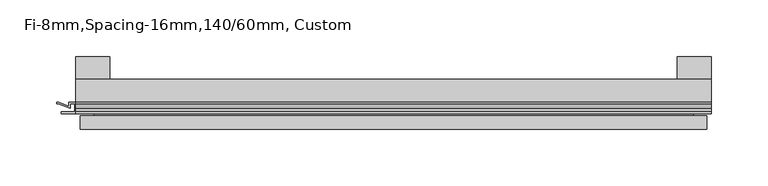
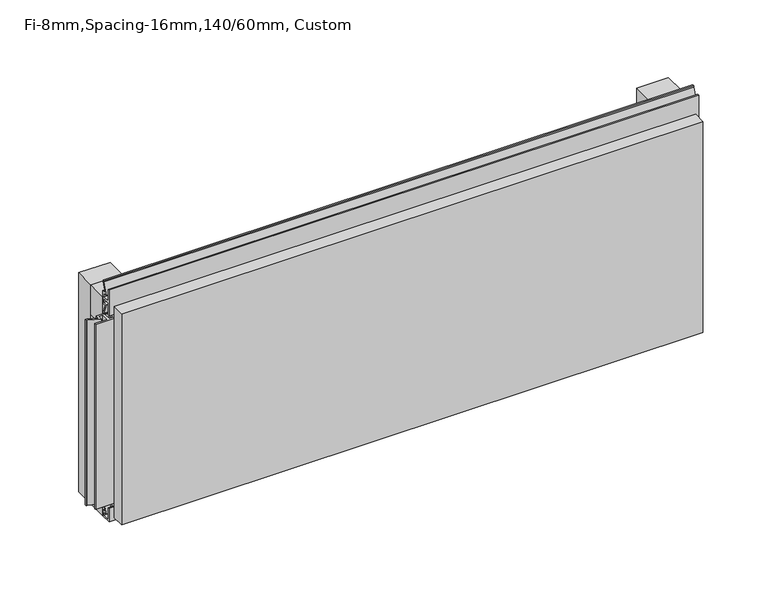
"""IFC4 building model written with IfcOpenShell, lengths in millimetres: plate geometry, Fi-8mm,Spacing-16mm,140/60mm, Custom."""

import ifcopenshell
import ifcopenshell.guid

model = None  # the IFC model being written
_history = None  # IfcOwnerHistory: only IFC2X3 demands one
_inside = {}  # id of a spatial element -> (the spatial element, [elements in it])
_under = {}  # id of a project, library or spatial element -> (it, [spatial elements below it])
_declared = {}  # id of a project -> (the project, [libraries it declares])
_typed = {}  # id of a type object -> (the type object, [elements of that type])
_made_of = {}  # id of a material, layer set ... -> (it, [elements and type objects made of it])


def new_model(schema):
    """Start an empty IFC model of exactly this schema.

    Asked for "IFC4X3", IfcOpenShell would pick the latest addendum, in which some entities
    have other attributes; the version numbers below select the first issue.
    IFC2X3 requires an IfcOwnerHistory on every rooted entity: one is made here for all.
    """
    global model, _history
    if schema == "IFC4X3":
        model = ifcopenshell.file(schema_version=(4, 3, 0, 0))
    else:
        model = ifcopenshell.file(schema=schema)
    _inside.clear()
    _under.clear()
    _declared.clear()
    _typed.clear()
    _made_of.clear()
    _history = None
    if model.schema == "IFC2X3":
        org = make("IfcOrganization", Name="unknown")
        user = make(
            "IfcPersonAndOrganization",
            ThePerson=make("IfcPerson", FamilyName="unknown"),
            TheOrganization=org,
        )
        app = make(
            "IfcApplication",
            ApplicationDeveloper=org,
            Version="unknown",
            ApplicationFullName="unknown",
            ApplicationIdentifier="unknown",
        )
        _history = make(
            "IfcOwnerHistory",
            OwningUser=user,
            OwningApplication=app,
            ChangeAction="ADDED",
            CreationDate=0,
        )
    return model


def make(cls, **values):
    """One entity of the class cls with the attributes given. An attribute that is None is left unset."""
    return model.create_entity(
        cls, **{name: value for name, value in values.items() if value is not None}
    )


def rooted(cls, **values):
    """An entity with a GlobalId (a new one), such as an element, a storey or a relation."""
    return make(cls, GlobalId=ifcopenshell.guid.new(), OwnerHistory=_history, **values)


def si_unit(unit_type, name, prefix=None):
    """IfcSIUnit, for example si_unit("LENGTHUNIT", "METRE", prefix="MILLI")."""
    return make("IfcSIUnit", UnitType=unit_type, Prefix=prefix, Name=name)


def assignment(units):
    """IfcUnitAssignment: the units of a project."""
    return None if units is None else make("IfcUnitAssignment", Units=units)


def point(xyz):
    """IfcCartesianPoint."""
    return None if xyz is None else make("IfcCartesianPoint", Coordinates=xyz)


def direction(xyz):
    """IfcDirection."""
    return None if xyz is None else make("IfcDirection", DirectionRatios=xyz)


def frame(location, z_axis=None, x_axis=None):
    """IfcAxis2Placement3D, a coordinate frame: its origin and axes. An axis left out is left unset."""
    return make(
        "IfcAxis2Placement3D",
        Location=point(location),
        Axis=direction(z_axis),
        RefDirection=direction(x_axis),
    )


def origin():
    """The frame at (0, 0, 0) with its axes left unset."""
    return frame((0.0, 0.0, 0.0))


def origin_with_axes():
    """The frame at (0, 0, 0) with the z axis (0, 0, 1) and the x axis (1, 0, 0) written out."""
    return frame((0.0, 0.0, 0.0), z_axis=(0.0, 0.0, 1.0), x_axis=(1.0, 0.0, 0.0))


def place(relative_to, where):
    """IfcLocalPlacement: puts the frame where relative to a parent placement (None: the world)."""
    return make(
        "IfcLocalPlacement", PlacementRelTo=relative_to, RelativePlacement=where
    )


def context(
    kind, dimensions, precision=None, world=None, true_north=None, identifier=None
):
    """IfcGeometricRepresentationContext, for example the 3D "Model" context."""
    return make(
        "IfcGeometricRepresentationContext",
        ContextIdentifier=identifier,
        ContextType=kind,
        CoordinateSpaceDimension=dimensions,
        Precision=precision,
        WorldCoordinateSystem=world,
        TrueNorth=true_north,
    )


def project(units=None, contexts=None):
    """IfcProject with its units and contexts."""
    return rooted(
        "IfcProject",
        Name="project",
        RepresentationContexts=contexts,
        UnitsInContext=assignment(units),
    )


def spatial(cls, under=None, at=None, **own):
    """A site, building, storey or space (cls), placed at a placement, below another one or the project."""
    s = rooted(cls, ObjectPlacement=at, **own)
    if under is not None:
        _under.setdefault(under.id(), (under, []))[1].append(s)
    return s


def polyline(points):
    """IfcPolyline through the points."""
    return make("IfcPolyline", Points=[point(p) for p in points])


def outline(outer, holes=None, kind="AREA"):
    """IfcArbitraryClosedProfileDef: a profile drawn as a closed curve; with holes, ...WithVoids."""
    if holes is None:
        return make("IfcArbitraryClosedProfileDef", ProfileType=kind, OuterCurve=outer)
    return make(
        "IfcArbitraryProfileDefWithVoids",
        ProfileType=kind,
        OuterCurve=outer,
        InnerCurves=holes,
    )


def extrude(swept, where, along, depth):
    """IfcExtrudedAreaSolid: the profile swept, set in the frame where, extruded along a direction by depth."""
    return make(
        "IfcExtrudedAreaSolid",
        SweptArea=swept,
        Position=where,
        ExtrudedDirection=direction(along),
        Depth=depth,
    )


def faces_of(points, faces, orient=None, outer=None):
    """IfcFace entities. A face is a list of loops; a loop is a list of indices into points, from 0.

    orient and outer hold one flag for each loop. By default every Orientation is true, the
    first loop of a face is its IfcFaceOuterBound and the others are IfcFaceBound.
    """
    made = []
    for i, loops in enumerate(faces):
        bounds = []
        for j, loop in enumerate(loops):
            is_outer = j == 0 if outer is None else outer[i][j]
            bounds.append(
                make(
                    "IfcFaceOuterBound" if is_outer else "IfcFaceBound",
                    Bound=make("IfcPolyLoop", Polygon=[points[k] for k in loop]),
                    Orientation=True if orient is None else orient[i][j],
                )
            )
        made.append(make("IfcFace", Bounds=bounds))
    return made


def faceted_brep(points, faces, orient=None, outer=None, voids=None):
    """IfcFacetedBrep: a solid bounded by flat faces; with voids (closed shells), ...WithVoids."""
    shared = [point(p) for p in points]
    hull = make("IfcClosedShell", CfsFaces=faces_of(shared, faces, orient, outer))
    if voids is None:
        return make("IfcFacetedBrep", Outer=hull)
    return make(
        "IfcFacetedBrepWithVoids",
        Outer=hull,
        Voids=[
            make(cls, CfsFaces=faces_of(shared, fs, o, b)) for cls, fs, o, b in voids
        ],
    )


def shape(context_of_items, identifier, shape_type, items):
    """IfcShapeRepresentation: the items that make up one representation, for example the "Body"."""
    return make(
        "IfcShapeRepresentation",
        ContextOfItems=context_of_items,
        RepresentationIdentifier=identifier,
        RepresentationType=shape_type,
        Items=items,
    )


def source(mapping_origin, context_of_items, identifier, shape_type, items):
    """IfcRepresentationMap: a shape defined once, which mapped items show again and again."""
    return make(
        "IfcRepresentationMap",
        MappingOrigin=mapping_origin,
        MappedRepresentation=shape(context_of_items, identifier, shape_type, items),
    )


def transform(
    local_origin,
    x_axis=None,
    y_axis=None,
    z_axis=None,
    scale=None,
    scale2=None,
    scale3=None,
    uniform=True,
):
    """IfcCartesianTransformationOperator3D, or its non-uniform kind. x_axis, y_axis, z_axis: its Axis1, 2, 3."""
    if uniform:
        return make(
            "IfcCartesianTransformationOperator3D",
            Axis1=direction(x_axis),
            Axis2=direction(y_axis),
            LocalOrigin=point(local_origin),
            Scale=scale,
            Axis3=direction(z_axis),
        )
    return make(
        "IfcCartesianTransformationOperator3DnonUniform",
        Axis1=direction(x_axis),
        Axis2=direction(y_axis),
        LocalOrigin=point(local_origin),
        Scale=scale,
        Axis3=direction(z_axis),
        Scale2=scale2,
        Scale3=scale3,
    )


def mapped(mapping_source, mapping_target):
    """IfcMappedItem: shows the shape of a source again, moved by a transform."""
    return make(
        "IfcMappedItem", MappingSource=mapping_source, MappingTarget=mapping_target
    )


def made_of(thing, what):
    """Note that an element or type object is made of a material, layer set ...; save() writes the relation."""
    if what is not None:
        _made_of.setdefault(what.id(), (what, []))[1].append(thing)
    return thing


def element(
    cls,
    number,
    at=None,
    inside=None,
    cuts=None,
    type_object=None,
    material=None,
    context=None,
    identifier="Body",
    shape_type=None,
    held_by="IfcProductDefinitionShape",
    body=None,
    shapes=None,
    **own,
):
    """One element of the class cls, such as IfcWall. Its Tag is "e" and its number.

    at: its placement. inside: the storey or other place that contains it. cuts: it is an
    opening in that element (IfcRelVoidsElement). A single representation is given by context,
    identifier, shape_type and body (its items); several are given by shapes. held_by: the class
    of the entity that holds the representations. save() writes the other relations.
    """
    e = rooted(cls, Tag="e%d" % number, ObjectPlacement=at, **own)
    if body is not None:
        shapes = [shape(context, identifier, shape_type, body)]
    if shapes is not None:
        e.Representation = make(held_by, Representations=shapes)
    if inside is not None:
        _inside.setdefault(inside.id(), (inside, []))[1].append(e)
    if cuts is not None:
        rooted(
            "IfcRelVoidsElement", RelatingBuildingElement=cuts, RelatedOpeningElement=e
        )
    if type_object is not None:
        _typed.setdefault(type_object.id(), (type_object, []))[1].append(e)
    return made_of(e, material)


def aggregate(whole, parts):
    """IfcRelAggregates: a whole, such as a stair, and the parts it consists of."""
    return rooted("IfcRelAggregates", RelatingObject=whole, RelatedObjects=parts)


def save(model, path):
    """Write the relations noted so far, then the file.

    IfcRelAggregates (storeys below a building ...), IfcRelContainedInSpatialStructure (elements
    in a storey), IfcRelDefinesByType, IfcRelAssociatesMaterial and IfcRelDeclares: one each for
    every whole, place, type object, material and project.
    """
    for whole, parts in _under.values():
        aggregate(whole, parts)
    for where, things in _inside.values():
        rooted(
            "IfcRelContainedInSpatialStructure",
            RelatedElements=things,
            RelatingStructure=where,
        )
    for kind, things in _typed.values():
        rooted("IfcRelDefinesByType", RelatedObjects=things, RelatingType=kind)
    for what, things in _made_of.values():
        rooted("IfcRelAssociatesMaterial", RelatedObjects=things, RelatingMaterial=what)
    for by, libraries in _declared.values():
        rooted("IfcRelDeclares", RelatingContext=by, RelatedDefinitions=libraries)
    model.write(path)


def fi_8mm_spacing_16mm_140_60mm_custom_9de123d0(model_context):
    return source(origin(), model_context, "Body", "SolidModel", [
        extrude(outline(polyline([(-280.0, -40.0), (-280.0, -20.0), (280.0, -20.0), (280.0, -40.0), (-280.0, -40.0)])), frame((0.0, 0.0, 190.0), z_axis=(0.0, 0.0, 1.0), x_axis=(1.0, 0.0, 0.0)), (0.0, 0.0, 1.0), 30.0),
        extrude(outline(polyline([(-280.0, -40.0), (-280.0, -20.0), (280.0, -20.0), (280.0, -40.0), (-280.0, -40.0)])), origin_with_axes(), (0.0, 0.0, 1.0), 30.0),
        extrude(outline(polyline([(250.0, 0.0), (280.0, 0.0), (280.0, -20.0), (250.0, -20.0), (250.0, 0.0)])), origin_with_axes(), (0.0, 0.0, 1.0), 220.0),
        extrude(outline(polyline([(-250.0, 0.0), (-250.0, -20.0), (-280.0, -20.0), (-280.0, 0.0), (-250.0, 0.0)])), origin_with_axes(), (0.0, 0.0, 1.0), 220.0),
        extrude(outline(polyline([(-40.0, 6.299084), (-40.0, 0.0), (-50.1, 0.0), (-50.1, 13.4156807), (-48.7, 13.4156807), (-48.7, 1.4156807), (-41.4, 1.4156807), (-41.4, 4.899084), (-45.5140545, 4.899084), (-41.4553267, 15.5703394), (-41.4553267, 22.991548), (-40.0553267, 22.991548), (-40.0553267, 15.3558599), (-43.5, 6.299084), (-40.0, 6.299084)])), frame((-280.0, 0.0, 0.0), z_axis=(1.0, 0.0, 0.0), x_axis=(0.0, 1.0, 0.0)), (0.0, 0.0, 1.0), 560.0),
        extrude(outline(polyline([(273.700916, -40.0), (280.0, -40.0), (280.0, -50.1), (266.5843193, -50.1), (266.5843193, -48.7), (278.5843193, -48.7), (278.5843193, -41.4), (275.100916, -41.4), (275.100916, -45.5140545), (264.4296606, -41.4553267), (257.008452, -41.4553267), (257.008452, -40.0553267), (264.6441401, -40.0553267), (273.700916, -43.5), (273.700916, -40.0)])), frame((0.0, 0.0, 16.9558599), z_axis=(0.0, 0.0, 1.0), x_axis=(1.0, 0.0, 0.0)), (0.0, 0.0, 1.0), 186.0882802),
        extrude(outline(polyline([(-280.899084, -48.7), (-280.899084, -41.4), (-284.899084, -41.4), (-284.899084, -45.5140545), (-295.5703394, -41.4553267), (-296.9558599, -41.4553267), (-296.9558599, -40.0553267), (-295.3558599, -40.0553267), (-286.299084, -43.5), (-286.299084, -40.0), (-273.700916, -40.0), (-273.700916, -43.5), (-264.6441401, -40.0553267), (-263.0441401, -40.0553267), (-263.0441401, -41.4553267), (-264.4296606, -41.4553267), (-275.100916, -45.5140545), (-275.100916, -41.4), (-279.100916, -41.4), (-279.100916, -48.7), (-267.100916, -48.7), (-267.100916, -50.1), (-292.899084, -50.1), (-292.899084, -48.7), (-280.899084, -48.7)])), frame((0.0, 0.0, 16.9558599), z_axis=(0.0, 0.0, 1.0), x_axis=(1.0, 0.0, 0.0)), (0.0, 0.0, 1.0), 186.0882802),
        extrude(outline(polyline([(-48.7, 220.899084), (-41.4, 220.899084), (-41.4, 224.899084), (-45.5140545, 224.899084), (-41.4553267, 235.5703394), (-41.4553267, 236.9558599), (-40.0553267, 236.9558599), (-40.0553267, 235.3558599), (-43.5, 226.299084), (-40.0, 226.299084), (-40.0, 213.700916), (-43.5, 213.700916), (-40.0553267, 204.6441401), (-40.0553267, 203.0441401), (-41.4553267, 203.0441401), (-41.4553267, 204.4296606), (-45.5140545, 215.100916), (-41.4, 215.100916), (-41.4, 219.100916), (-48.7, 219.100916), (-48.7, 207.100916), (-50.1, 207.100916), (-50.1, 232.899084), (-48.7, 232.899084), (-48.7, 220.899084)])), frame((-280.0, 0.0, 0.0), z_axis=(1.0, 0.0, 0.0), x_axis=(0.0, 1.0, 0.0)), (0.0, 0.0, 1.0), 560.0),
        faceted_brep([(276.0, -45.9, 216.0), (-276.0, -45.9, 216.0), (-276.0, -48.7, 216.0), (276.0, -48.7, 216.0), (-276.0, -63.9, 216.0), (276.0, -63.9, 216.0), (276.0, -51.9, 216.0), (-276.0, -51.9, 216.0), (-276.0, -45.9, 4.0), (276.0, -45.9, 4.0), (276.0, -48.7, 4.0), (-276.0, -48.7, 4.0), (276.0, -63.9, 4.0), (-276.0, -63.9, 4.0), (-276.0, -51.9, 4.0), (276.0, -51.9, 4.0), (264.0, -51.9, 204.0), (264.0, -51.9, 16.0), (264.0, -48.7, 16.0), (264.0, -48.7, 204.0), (-264.0, -51.9, 16.0), (-264.0, -48.7, 16.0), (-264.0, -51.9, 204.0), (-264.0, -48.7, 204.0)], [[[0, 1, 2, 3]], [[4, 5, 6, 7]], [[8, 9, 10, 11]], [[12, 13, 14, 15]], [[1, 0, 9, 8]], [[1, 8, 11, 2]], [[13, 4, 7, 14]], [[5, 4, 13, 12]], [[9, 0, 3, 10]], [[5, 12, 15, 6]], [[16, 17, 18, 19]], [[18, 17, 20, 21]], [[21, 20, 22, 23]], [[16, 19, 23, 22]], [[7, 6, 15, 14], [17, 16, 22, 20]], [[3, 2, 11, 10], [19, 18, 21, 23]]]),
    ])


if __name__ == "__main__":
    model = new_model("IFC4")
    model_context = context("Model", 3, world=origin())
    ifc_project = project(units=[si_unit("LENGTHUNIT", "METRE", prefix="MILLI")], contexts=[model_context])
    site = spatial("IfcSite", under=ifc_project)
    building = spatial("IfcBuilding", under=site)
    placement = place(None, origin())
    fi_8mm_spacing_16mm_140_60mm_custom_shape = fi_8mm_spacing_16mm_140_60mm_custom_9de123d0(model_context)
    element("IfcPlate", 1, ObjectType="Fi-8mm,Spacing-16mm,140/60mm, Custom", at=placement, inside=building, context=model_context, shape_type="MappedRepresentation", body=[
        mapped(fi_8mm_spacing_16mm_140_60mm_custom_shape, transform((0.0, 0.0, 0.0), x_axis=(1.0, 0.0, 0.0), y_axis=(0.0, 1.0, 0.0), z_axis=(0.0, 0.0, 1.0))),
    ])
    save(model, "model.ifc")
